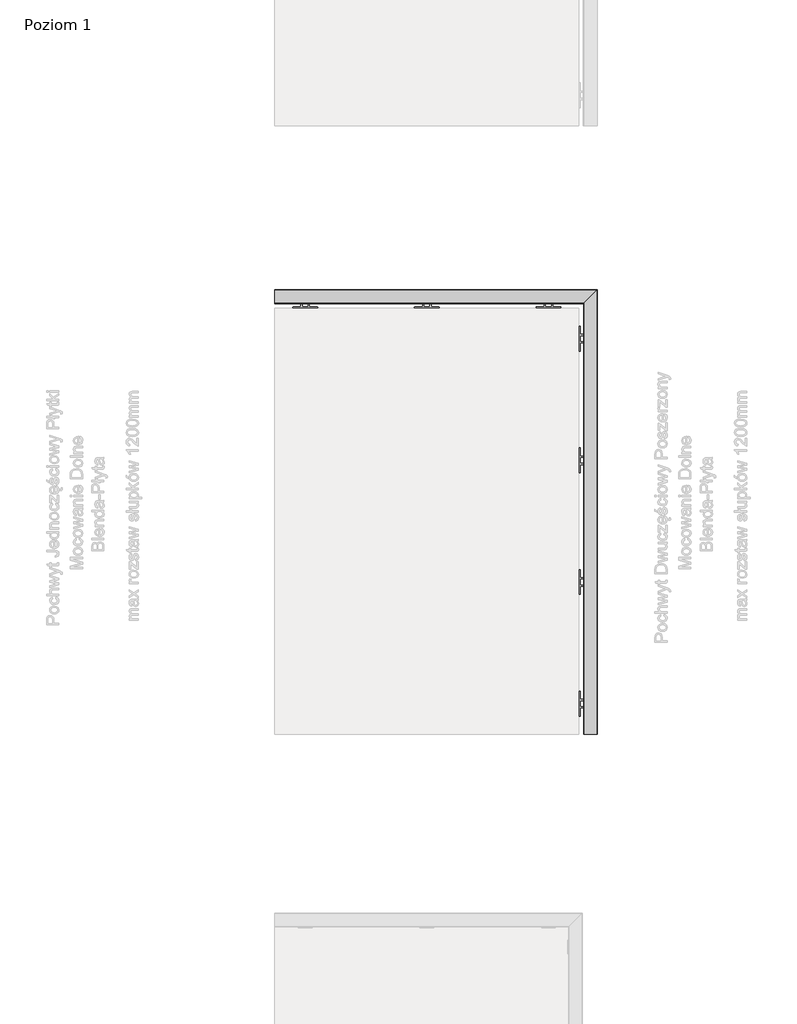
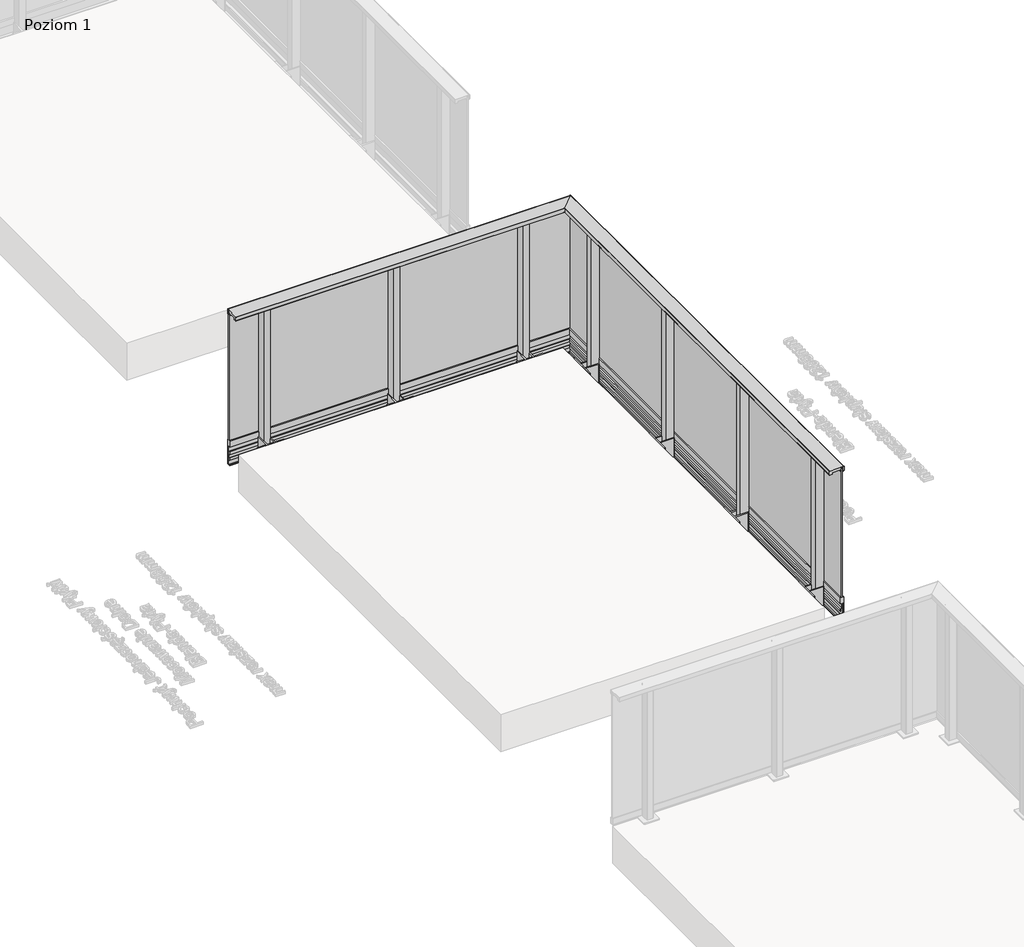
# One storey, part 4 of 35: 1 railing.
"""IFC4 building model written with IfcOpenShell, lengths in millimetres."""

from ifc_helpers import new_model, si_unit, frame, origin, place, context, project, spatial, polyline, circle_curve, ellipse_curve, outline, extrude, faceted_brep, element, save
from ifc_brep_helpers import plane_surface, cylinder_surface, revolved_surface, advanced_brep

model = new_model("IFC4")

# Units and contexts
model_context = context("Model", 3, world=origin())
ifc_project = project(units=[si_unit("LENGTHUNIT", "METRE", prefix="MILLI")], contexts=[model_context])

# Site, building, storey
site = spatial("IfcSite", under=ifc_project)
building = spatial("IfcBuilding", under=site)
storey = spatial("IfcBuildingStorey", under=building, Name="Poziom 1", Elevation=0.0)

# Railing
placement = place(None, origin())
element("IfcRailing", 1, at=placement, inside=storey, context=model_context, shape_type="SolidModel", body=[
    faceted_brep([(14530.9819967, -9629.5008183, -160.0), (14538.9819967, -9629.5008183, -160.0), (14538.9819967, -9629.5008183, -15.0), (14530.9819967, -9629.5008183, -15.0), (14530.9819967, -5989.5008183, -160.0), (14538.9819967, -5981.5008183, -160.0), (14538.9819967, -5981.5008183, -15.0), (14530.9819967, -5989.5008183, -15.0), (11890.9819967, -5989.5008183, -160.0), (11890.9819967, -5989.5008183, -15.0), (11890.9819967, -5981.5008183, -15.0), (11890.9819967, -5981.5008183, -160.0)], [[[0, 1, 2, 3]], [[1, 0, 4, 5]], [[2, 1, 5, 6]], [[3, 2, 6, 7]], [[0, 3, 7, 4]], [[8, 9, 10, 11]], [[5, 4, 8, 11]], [[6, 5, 11, 10]], [[7, 6, 10, 9]], [[4, 7, 9, 8]]]),
    faceted_brep([(14538.3652811, -9629.5008183, 37.0), (14514.3652811, -9629.5008183, 37.0), (14514.3652811, -9629.5008183, -13.15625), (14525.023675, -9629.5008183, -13.15625), (14525.023675, -9629.5008183, -50.6163494), (14514.3721534, -9629.5008183, -50.6163494), (14514.3721534, -9629.5008183, -72.6204288), (14516.4157985, -9629.5008183, -72.6204288), (14516.4157985, -9629.5008183, -52.6204288), (14527.3897991, -9629.5008183, -52.6204288), (14527.3897991, -9629.5008183, -119.2260542), (14516.4157985, -9629.5008183, -119.2260542), (14516.4157985, -9629.5008183, -99.2260542), (14514.3721534, -9629.5008183, -99.2260542), (14514.3721534, -9629.5008183, -121.2444445), (14525.023675, -9629.5008183, -121.2444445), (14525.023675, -9629.5008183, -158.2306744), (14516.2388511, -9629.5008183, -158.2306744), (14514.1935295, -9629.5008183, -158.2306744), (14514.1935295, -9629.5008183, -164.15625), (14538.3685602, -9629.5008183, -164.15625), (14538.3685602, -9629.5008183, -162.15625), (14527.3897991, -9629.5008183, -162.15625), (14527.3897991, -9629.5008183, -160.2306744), (14530.8948217, -9629.5008183, -160.2306744), (14530.8948217, -9629.5008183, -15.15625), (14527.3897991, -9629.5008183, -15.15625), (14527.3897991, -9629.5008183, -13.15625), (14538.3652811, -9629.5008183, -13.15625), (14538.3652811, -5982.117534, 37.0), (14514.3652811, -6006.117534, 37.0), (14514.3652811, -6006.117534, -13.15625), (14525.023675, -5995.4591401, -13.15625), (14525.023675, -5995.4591401, -50.6163494), (14514.3721534, -6006.1106616, -50.6163494), (14514.3721534, -6006.1106616, -72.6204288), (14516.4157985, -6004.0670165, -72.6204288), (14516.4157985, -6004.0670165, -52.6204288), (14527.3897991, -5993.093016, -52.6204288), (14527.3897991, -5993.093016, -119.2260542), (14516.4157985, -6004.0670165, -119.2260542), (14516.4157985, -6004.0670165, -99.2260542), (14514.3721534, -6006.1106616, -99.2260542), (14514.3721534, -6006.1106616, -121.2444445), (14525.023675, -5995.4591401, -121.2444445), (14525.023675, -5995.4591401, -158.2306744), (14516.2388511, -6004.243964, -158.2306744), (14514.1935295, -6006.2892856, -158.2306744), (14514.1935295, -6006.2892856, -164.15625), (14538.3685602, -5982.1142549, -164.15625), (14538.3685602, -5982.1142549, -162.15625), (14527.3897991, -5993.093016, -162.15625), (14527.3897991, -5993.093016, -160.2306744), (14530.8948217, -5989.5879934, -160.2306744), (14530.8948217, -5989.5879934, -15.15625), (14527.3897991, -5993.093016, -15.15625), (14527.3897991, -5993.093016, -13.15625), (14538.3652811, -5982.117534, -13.15625), (11890.9819967, -5982.117534, 37.0), (11890.9819967, -5982.117534, -13.15625), (11890.9819967, -5993.093016, -13.15625), (11890.9819967, -5993.093016, -15.15625), (11890.9819967, -5989.5879934, -15.15625), (11890.9819967, -5989.5879934, -160.2306744), (11890.9819967, -5993.093016, -160.2306744), (11890.9819967, -5993.093016, -162.15625), (11890.9819967, -5982.1142549, -162.15625), (11890.9819967, -5982.1142549, -164.15625), (11890.9819967, -6006.2892856, -164.15625), (11890.9819967, -6006.2892856, -158.2306744), (11890.9819967, -6004.243964, -158.2306744), (11890.9819967, -5995.4591401, -158.2306744), (11890.9819967, -5995.4591401, -121.2444445), (11890.9819967, -6006.1106616, -121.2444445), (11890.9819967, -6006.1106616, -99.2260542), (11890.9819967, -6004.0670165, -99.2260542), (11890.9819967, -6004.0670165, -119.2260542), (11890.9819967, -5993.093016, -119.2260542), (11890.9819967, -5993.093016, -52.6204288), (11890.9819967, -6004.0670165, -52.6204288), (11890.9819967, -6004.0670165, -72.6204288), (11890.9819967, -6006.1106616, -72.6204288), (11890.9819967, -6006.1106616, -50.6163494), (11890.9819967, -5995.4591401, -50.6163494), (11890.9819967, -5995.4591401, -13.15625), (11890.9819967, -6006.117534, -13.15625), (11890.9819967, -6006.117534, 37.0)], [[[0, 1, 2, 3, 4, 5, 6, 7, 8, 9, 10, 11, 12, 13, 14, 15, 16, 17, 18, 19, 20, 21, 22, 23, 24, 25, 26, 27, 28]], [[1, 0, 29, 30]], [[2, 1, 30, 31]], [[3, 2, 31, 32]], [[4, 3, 32, 33]], [[5, 4, 33, 34]], [[6, 5, 34, 35]], [[7, 6, 35, 36]], [[8, 7, 36, 37]], [[9, 8, 37, 38]], [[10, 9, 38, 39]], [[11, 10, 39, 40]], [[12, 11, 40, 41]], [[13, 12, 41, 42]], [[14, 13, 42, 43]], [[15, 14, 43, 44]], [[16, 15, 44, 45]], [[17, 16, 45, 46]], [[18, 17, 46, 47]], [[19, 18, 47, 48]], [[20, 19, 48, 49]], [[21, 20, 49, 50]], [[22, 21, 50, 51]], [[23, 22, 51, 52]], [[24, 23, 52, 53]], [[25, 24, 53, 54]], [[26, 25, 54, 55]], [[27, 26, 55, 56]], [[28, 27, 56, 57]], [[0, 28, 57, 29]], [[58, 59, 60, 61, 62, 63, 64, 65, 66, 67, 68, 69, 70, 71, 72, 73, 74, 75, 76, 77, 78, 79, 80, 81, 82, 83, 84, 85, 86]], [[30, 29, 58, 86]], [[31, 30, 86, 85]], [[32, 31, 85, 84]], [[33, 32, 84, 83]], [[34, 33, 83, 82]], [[35, 34, 82, 81]], [[36, 35, 81, 80]], [[37, 36, 80, 79]], [[38, 37, 79, 78]], [[39, 38, 78, 77]], [[40, 39, 77, 76]], [[41, 40, 76, 75]], [[42, 41, 75, 74]], [[43, 42, 74, 73]], [[44, 43, 73, 72]], [[45, 44, 72, 71]], [[46, 45, 71, 70]], [[47, 46, 70, 69]], [[48, 47, 69, 68]], [[49, 48, 68, 67]], [[50, 49, 67, 66]], [[51, 50, 66, 65]], [[52, 51, 65, 64]], [[53, 52, 64, 63]], [[54, 53, 63, 62]], [[55, 54, 62, 61]], [[56, 55, 61, 60]], [[57, 56, 60, 59]], [[29, 57, 59, 58]]]),
    advanced_brep(
    [(14430.4819967, -9629.5008183, 1100.0), (14429.9819967, -9629.5008183, 1099.5), (14429.9819967, -9629.5008183, 1068.5), (14430.4819967, -9629.5008183, 1068.0), (14449.9819967, -9629.5008183, 1068.0), (14449.9819967, -9629.5008183, 1081.0), (14515.9819967, -9629.5008183, 1081.0), (14515.9819967, -9629.5008183, 1068.0), (14518.7819967, -9629.5008183, 1068.0), (14518.7819967, -9629.5008183, 1069.2), (14517.9819967, -9629.5008183, 1069.2), (14517.9819967, -9629.5008183, 1097.5), (14518.4819967, -9629.5008183, 1098.0), (14537.4819967, -9629.5008183, 1098.0), (14537.9819967, -9629.5008183, 1097.5), (14537.9819967, -9629.5008183, 1069.2), (14537.1819967, -9629.5008183, 1069.2), (14537.1819967, -9629.5008183, 1068.0), (14541.4819967, -9629.5008183, 1068.0), (14541.9819967, -9629.5008183, 1068.5), (14541.9819967, -9629.5008183, 1099.5), (14541.4819967, -9629.5008183, 1100.0), (14430.4819967, -6090.0008183, 1100.0), (14429.9819967, -6090.5008183, 1099.5), (14429.9819967, -6090.5008183, 1068.5), (14430.4819967, -6090.0008183, 1068.0), (14449.9819967, -6070.5008183, 1068.0), (14449.9819967, -6070.5008183, 1081.0), (14515.9819967, -6004.5008183, 1081.0), (14515.9819967, -6004.5008183, 1068.0), (14518.7819967, -6001.7008183, 1068.0), (14518.7819967, -6001.7008183, 1069.2), (14517.9819967, -6002.5008183, 1069.2), (14517.9819967, -6002.5008183, 1097.5), (14518.4819967, -6002.0008183, 1098.0), (14537.4819967, -5983.0008183, 1098.0), (14537.9819967, -5982.5008183, 1097.5), (14537.9819967, -5982.5008183, 1069.2), (14537.1819967, -5983.3008183, 1069.2), (14537.1819967, -5983.3008183, 1068.0), (14541.4819967, -5979.0008183, 1068.0), (14541.9819967, -5978.5008183, 1068.5), (14541.9819967, -5978.5008183, 1099.5), (14541.4819967, -5979.0008183, 1100.0), (11890.9819967, -6090.0008183, 1100.0), (11890.9819967, -5979.0008183, 1100.0), (11890.9819967, -5978.5008183, 1099.5), (11890.9819967, -5978.5008183, 1068.5), (11890.9819967, -5979.0008183, 1068.0), (11890.9819967, -5983.3008183, 1068.0), (11890.9819967, -5983.3008183, 1069.2), (11890.9819967, -5982.5008183, 1069.2), (11890.9819967, -5982.5008183, 1097.5), (11890.9819967, -5983.0008183, 1098.0), (11890.9819967, -6002.0008183, 1098.0), (11890.9819967, -6002.5008183, 1097.5), (11890.9819967, -6002.5008183, 1069.2), (11890.9819967, -6001.7008183, 1069.2), (11890.9819967, -6001.7008183, 1068.0), (11890.9819967, -6004.5008183, 1068.0), (11890.9819967, -6004.5008183, 1081.0), (11890.9819967, -6070.5008183, 1081.0), (11890.9819967, -6070.5008183, 1068.0), (11890.9819967, -6090.0008183, 1068.0), (11890.9819967, -6090.5008183, 1068.5), (11890.9819967, -6090.5008183, 1099.5)],
    [
        (0, 1, circle_curve(frame((14430.4819967, -9629.5008183, 1099.5), z_axis=(0.0, -1.0, 0.0), x_axis=(1.0, 0.0, 0.0)), 0.5)),
        (1, 2),
        (2, 3, circle_curve(frame((14430.4819967, -9629.5008183, 1068.5), z_axis=(0.0, -1.0, 0.0), x_axis=(1.0, 0.0, 0.0)), 0.5)),
        (3, 4),
        (4, 5),
        (5, 6),
        (6, 7),
        (7, 8),
        (8, 9),
        (9, 10),
        (10, 11),
        (11, 12, circle_curve(frame((14518.4819967, -9629.5008183, 1097.5), z_axis=(0.0, 1.0, 0.0), x_axis=(1.0, 0.0, 0.0)), 0.5)),
        (12, 13),
        (13, 14, circle_curve(frame((14537.4819967, -9629.5008183, 1097.5), z_axis=(0.0, 1.0, 0.0), x_axis=(1.0, 0.0, 0.0)), 0.5)),
        (14, 15),
        (15, 16),
        (16, 17),
        (17, 18),
        (18, 19, circle_curve(frame((14541.4819967, -9629.5008183, 1068.5), z_axis=(0.0, -1.0, 0.0), x_axis=(1.0, 0.0, 0.0)), 0.5)),
        (19, 20),
        (20, 21, circle_curve(frame((14541.4819967, -9629.5008183, 1099.5), z_axis=(0.0, -1.0, 0.0), x_axis=(1.0, 0.0, 0.0)), 0.5)),
        (21, 0),
        (0, 22),
        (22, 23, ellipse_curve(frame((14430.4819967, -6090.0008183, 1099.5), z_axis=(0.7071067811865467, -0.7071067811865482, 0.0), x_axis=(-0.7071067811865482, -0.7071067811865469, 0.0)), 0.7071068, 0.5)),
        (23, 1),
        (23, 24),
        (24, 2),
        (24, 25, ellipse_curve(frame((14430.4819967, -6090.0008183, 1068.5), z_axis=(0.7071067811865467, -0.7071067811865482, 0.0), x_axis=(-0.7071067811865482, -0.7071067811865469, 0.0)), 0.7071068, 0.5)),
        (25, 3),
        (25, 26),
        (26, 4),
        (26, 27),
        (27, 5),
        (27, 28),
        (28, 6),
        (28, 29),
        (29, 7),
        (29, 30),
        (30, 8),
        (30, 31),
        (31, 9),
        (31, 32),
        (32, 10),
        (32, 33),
        (33, 11),
        (33, 34, ellipse_curve(frame((14518.4819967, -6002.0008183, 1097.5), z_axis=(-0.7071067811865467, 0.7071067811865482, 0.0), x_axis=(0.7071067811865482, 0.7071067811865469, 0.0)), 0.7071068, 0.5)),
        (34, 12),
        (34, 35),
        (35, 13),
        (35, 36, ellipse_curve(frame((14537.4819967, -5983.0008183, 1097.5), z_axis=(-0.7071067811865467, 0.7071067811865482, 0.0), x_axis=(0.7071067811865482, 0.7071067811865469, 0.0)), 0.7071068, 0.5)),
        (36, 14),
        (36, 37),
        (37, 15),
        (37, 38),
        (38, 16),
        (38, 39),
        (39, 17),
        (39, 40),
        (40, 18),
        (40, 41, ellipse_curve(frame((14541.4819967, -5979.0008183, 1068.5), z_axis=(0.7071067811865467, -0.7071067811865482, 0.0), x_axis=(-0.7071067811865482, -0.7071067811865469, 0.0)), 0.7071068, 0.5)),
        (41, 19),
        (41, 42),
        (42, 20),
        (42, 43, ellipse_curve(frame((14541.4819967, -5979.0008183, 1099.5), z_axis=(0.7071067811865467, -0.7071067811865482, 0.0), x_axis=(-0.7071067811865482, -0.7071067811865469, 0.0)), 0.7071068, 0.5)),
        (43, 21),
        (43, 22),
        (44, 45),
        (45, 46, circle_curve(frame((11890.9819967, -5979.0008183, 1099.5), z_axis=(-1.0, 0.0, 0.0), x_axis=(0.0, 1.0, 0.0)), 0.5)),
        (46, 47),
        (47, 48, circle_curve(frame((11890.9819967, -5979.0008183, 1068.5), z_axis=(-1.0, 0.0, 0.0), x_axis=(0.0, 1.0, 0.0)), 0.5)),
        (48, 49),
        (49, 50),
        (50, 51),
        (51, 52),
        (52, 53, circle_curve(frame((11890.9819967, -5983.0008183, 1097.5), z_axis=(1.0, 0.0, 0.0), x_axis=(0.0, 1.0, 0.0)), 0.5)),
        (53, 54),
        (54, 55, circle_curve(frame((11890.9819967, -6002.0008183, 1097.5), z_axis=(1.0, 0.0, 0.0), x_axis=(0.0, 1.0, 0.0)), 0.5)),
        (55, 56),
        (56, 57),
        (57, 58),
        (58, 59),
        (59, 60),
        (60, 61),
        (61, 62),
        (62, 63),
        (63, 64, circle_curve(frame((11890.9819967, -6090.0008183, 1068.5), z_axis=(-1.0, 0.0, 0.0), x_axis=(0.0, 1.0, 0.0)), 0.5)),
        (64, 65),
        (65, 44, circle_curve(frame((11890.9819967, -6090.0008183, 1099.5), z_axis=(-1.0, 0.0, 0.0), x_axis=(0.0, 1.0, 0.0)), 0.5)),
        (22, 44),
        (65, 23),
        (64, 24),
        (63, 25),
        (62, 26),
        (61, 27),
        (60, 28),
        (59, 29),
        (58, 30),
        (57, 31),
        (56, 32),
        (55, 33),
        (54, 34),
        (53, 35),
        (52, 36),
        (51, 37),
        (50, 38),
        (49, 39),
        (48, 40),
        (47, 41),
        (46, 42),
        (45, 43),
    ],
    [
        plane_surface(frame((14482.9819967, -9629.5008183, 1100.0), z_axis=(0.0, -1.0, 0.0), x_axis=(0.0, 0.0, 1.0))),
        cylinder_surface(frame((14430.4819967, -9629.5008183, 1099.5), z_axis=(0.0, -1.0, 0.0), x_axis=(1.0, 0.0, 0.0)), 0.5),
        plane_surface(frame((14429.9819967, -9629.5008183, 1099.5), z_axis=(-1.0, 0.0, 0.0), x_axis=(0.0, 1.0, 0.0))),
        cylinder_surface(frame((14430.4819967, -9629.5008183, 1068.5), z_axis=(0.0, -1.0, 0.0), x_axis=(1.0, 0.0, 0.0)), 0.5),
        plane_surface(frame((14430.4819967, -9629.5008183, 1068.0), z_axis=(0.0, 0.0, -1.0), x_axis=(0.0, 1.0, 0.0))),
        plane_surface(frame((14449.9819967, -9629.5008183, 1068.0), z_axis=(1.0, 0.0, 0.0), x_axis=(0.0, 1.0, 0.0))),
        plane_surface(frame((14449.9819967, -9629.5008183, 1081.0), z_axis=(0.0, 0.0, -1.0), x_axis=(0.0, 1.0, 0.0))),
        plane_surface(frame((14515.9819967, -9629.5008183, 1081.0), z_axis=(-1.0, 0.0, 0.0), x_axis=(0.0, 1.0, 0.0))),
        plane_surface(frame((14515.9819967, -9629.5008183, 1068.0), z_axis=(0.0, 0.0, -1.0), x_axis=(0.0, 1.0, 0.0))),
        plane_surface(frame((14518.7819967, -9629.5008183, 1068.0), z_axis=(1.0, 0.0, 0.0), x_axis=(0.0, 1.0, 0.0))),
        plane_surface(frame((14518.7819967, -9629.5008183, 1069.2), z_axis=(0.0, 0.0, 1.0), x_axis=(0.0, 1.0, 0.0))),
        plane_surface(frame((14517.9819967, -9629.5008183, 1069.2), z_axis=(1.0, 0.0, 0.0), x_axis=(0.0, 1.0, 0.0))),
        revolved_surface(polyline([(14518.9819967, -6001.500818286697, 1097.5), (14518.9819967, -9629.5008183, 1097.5)]), (14518.4819967, -9629.5008183, 1097.5), (0.0, 1.0, 0.0)),
        plane_surface(frame((14518.4819967, -9629.5008183, 1098.0), z_axis=(0.0, 0.0, -1.0), x_axis=(0.0, 1.0, 0.0))),
        revolved_surface(polyline([(14537.9819967, -5982.500818286697, 1097.5), (14537.9819967, -9629.5008183, 1097.5)]), (14537.4819967, -9629.5008183, 1097.5), (0.0, 1.0, 0.0)),
        plane_surface(frame((14537.9819967, -9629.5008183, 1097.5), z_axis=(-1.0, 0.0, 0.0), x_axis=(0.0, 1.0, 0.0))),
        plane_surface(frame((14537.9819967, -9629.5008183, 1069.2), z_axis=(0.0, 0.0, 1.0), x_axis=(0.0, 1.0, 0.0))),
        plane_surface(frame((14537.1819967, -9629.5008183, 1069.2), z_axis=(-1.0, 0.0, 0.0), x_axis=(0.0, 1.0, 0.0))),
        plane_surface(frame((14537.1819967, -9629.5008183, 1068.0), z_axis=(0.0, 0.0, -1.0), x_axis=(0.0, 1.0, 0.0))),
        cylinder_surface(frame((14541.4819967, -9629.5008183, 1068.5), z_axis=(0.0, -1.0, 0.0), x_axis=(1.0, 0.0, 0.0)), 0.5),
        plane_surface(frame((14541.9819967, -9629.5008183, 1068.5), z_axis=(1.0, 0.0, 0.0), x_axis=(0.0, 1.0, 0.0))),
        cylinder_surface(frame((14541.4819967, -9629.5008183, 1099.5), z_axis=(0.0, -1.0, 0.0), x_axis=(1.0, 0.0, 0.0)), 0.5),
        plane_surface(frame((14541.4819967, -9629.5008183, 1100.0), z_axis=(0.0, 0.0, 1.0), x_axis=(0.0, 1.0, 0.0))),
        plane_surface(frame((11890.9819967, -6037.5008183, 1100.0), z_axis=(-1.0, 0.0, 0.0), x_axis=(0.0, -1.0, 0.0))),
        cylinder_surface(frame((14482.9819967, -6090.0008183, 1099.5), z_axis=(1.0, 0.0, 0.0), x_axis=(0.0, 1.0, 0.0)), 0.5),
        plane_surface(frame((14429.9819967, -6090.5008183, 1099.5), z_axis=(0.0, -1.0, 0.0), x_axis=(-1.0, 0.0, 0.0))),
        cylinder_surface(frame((14482.9819967, -6090.0008183, 1068.5), z_axis=(1.0, 0.0, 0.0), x_axis=(0.0, 1.0, 0.0)), 0.5),
        plane_surface(frame((14430.4819967, -6090.0008183, 1068.0), z_axis=(0.0, 0.0, -1.0), x_axis=(-1.0, 0.0, 0.0))),
        plane_surface(frame((14449.9819967, -6070.5008183, 1068.0), z_axis=(0.0, 1.0, 0.0), x_axis=(-1.0, 0.0, 0.0))),
        plane_surface(frame((14449.9819967, -6070.5008183, 1081.0), z_axis=(0.0, 0.0, -1.0), x_axis=(-1.0, 0.0, 0.0))),
        plane_surface(frame((14515.9819967, -6004.5008183, 1081.0), z_axis=(0.0, -1.0, 0.0), x_axis=(-1.0, 0.0, 0.0))),
        plane_surface(frame((14515.9819967, -6004.5008183, 1068.0), z_axis=(0.0, 0.0, -1.0), x_axis=(-1.0, 0.0, 0.0))),
        plane_surface(frame((14518.7819967, -6001.7008183, 1068.0), z_axis=(0.0, 1.0, 0.0), x_axis=(-1.0, 0.0, 0.0))),
        plane_surface(frame((14518.7819967, -6001.7008183, 1069.2), z_axis=(0.0, 0.0, 1.0), x_axis=(-1.0, 0.0, 0.0))),
        plane_surface(frame((14517.9819967, -6002.5008183, 1069.2), z_axis=(0.0, 1.0, 0.0), x_axis=(-1.0, 0.0, 0.0))),
        revolved_surface(polyline([(11890.9819967, -6001.5008183, 1097.5), (14518.981996713303, -6001.5008183, 1097.5)]), (14482.9819967, -6002.0008183, 1097.5), (-1.0, 0.0, 0.0)),
        plane_surface(frame((14518.4819967, -6002.0008183, 1098.0), z_axis=(0.0, 0.0, -1.0), x_axis=(-1.0, 0.0, 0.0))),
        revolved_surface(polyline([(11890.9819967, -5982.5008183, 1097.5), (14537.981996713303, -5982.5008183, 1097.5)]), (14482.9819967, -5983.0008183, 1097.5), (-1.0, 0.0, 0.0)),
        plane_surface(frame((14537.9819967, -5982.5008183, 1097.5), z_axis=(0.0, -1.0, 0.0), x_axis=(-1.0, 0.0, 0.0))),
        plane_surface(frame((14537.9819967, -5982.5008183, 1069.2), z_axis=(0.0, 0.0, 1.0), x_axis=(-1.0, 0.0, 0.0))),
        plane_surface(frame((14537.1819967, -5983.3008183, 1069.2), z_axis=(0.0, -1.0, 0.0), x_axis=(-1.0, 0.0, 0.0))),
        plane_surface(frame((14537.1819967, -5983.3008183, 1068.0), z_axis=(0.0, 0.0, -1.0), x_axis=(-1.0, 0.0, 0.0))),
        cylinder_surface(frame((14482.9819967, -5979.0008183, 1068.5), z_axis=(1.0, 0.0, 0.0), x_axis=(0.0, 1.0, 0.0)), 0.5),
        plane_surface(frame((14541.9819967, -5978.5008183, 1068.5), z_axis=(0.0, 1.0, 0.0), x_axis=(-1.0, 0.0, 0.0))),
        cylinder_surface(frame((14482.9819967, -5979.0008183, 1099.5), z_axis=(1.0, 0.0, 0.0), x_axis=(0.0, 1.0, 0.0)), 0.5),
        plane_surface(frame((14541.4819967, -5979.0008183, 1100.0), z_axis=(0.0, 0.0, 1.0), x_axis=(-1.0, 0.0, 0.0))),
    ],
    [
        (0, [[1, 2, 3, 4, 5, 6, 7, 8, 9, 10, 11, 12, 13, 14, 15, 16, 17, 18, 19, 20, 21, 22]]),
        (1, [[-1, 23, 24, 25]]),
        (2, [[-2, -25, 26, 27]]),
        (3, [[-3, -27, 28, 29]]),
        (4, [[-4, -29, 30, 31]]),
        (5, [[-5, -31, 32, 33]]),
        (6, [[-6, -33, 34, 35]]),
        (7, [[-7, -35, 36, 37]]),
        (8, [[-8, -37, 38, 39]]),
        (9, [[-9, -39, 40, 41]]),
        (10, [[-10, -41, 42, 43]]),
        (11, [[-11, -43, 44, 45]]),
        (12, [[-12, -45, 46, 47]]),
        (13, [[-13, -47, 48, 49]]),
        (14, [[-14, -49, 50, 51]]),
        (15, [[-15, -51, 52, 53]]),
        (16, [[-16, -53, 54, 55]]),
        (17, [[-17, -55, 56, 57]]),
        (18, [[-18, -57, 58, 59]]),
        (19, [[-19, -59, 60, 61]]),
        (20, [[-20, -61, 62, 63]]),
        (21, [[-21, -63, 64, 65]]),
        (22, [[-22, -65, 66, -23]]),
        (23, [[67, 68, 69, 70, 71, 72, 73, 74, 75, 76, 77, 78, 79, 80, 81, 82, 83, 84, 85, 86, 87, 88]]),
        (24, [[-24, 89, -88, 90]]),
        (25, [[-26, -90, -87, 91]]),
        (26, [[-28, -91, -86, 92]]),
        (27, [[-30, -92, -85, 93]]),
        (28, [[-32, -93, -84, 94]]),
        (29, [[-34, -94, -83, 95]]),
        (30, [[-36, -95, -82, 96]]),
        (31, [[-38, -96, -81, 97]]),
        (32, [[-40, -97, -80, 98]]),
        (33, [[-42, -98, -79, 99]]),
        (34, [[-44, -99, -78, 100]]),
        (35, [[-46, -100, -77, 101]]),
        (36, [[-48, -101, -76, 102]]),
        (37, [[-50, -102, -75, 103]]),
        (38, [[-52, -103, -74, 104]]),
        (39, [[-54, -104, -73, 105]]),
        (40, [[-56, -105, -72, 106]]),
        (41, [[-58, -106, -71, 107]]),
        (42, [[-60, -107, -70, 108]]),
        (43, [[-62, -108, -69, 109]]),
        (44, [[-64, -109, -68, 110]]),
        (45, [[-66, -110, -67, -89]]),
    ],
),
    faceted_brep([(14529.9819967, -9629.5008183, 1087.0), (14521.9819967, -9629.5008183, 1087.0), (14521.9819967, -9629.5008183, 37.0), (14529.9819967, -9629.5008183, 37.0), (14529.9819967, -5990.5008183, 1087.0), (14521.9819967, -5998.5008183, 1087.0), (14521.9819967, -5998.5008183, 37.0), (14529.9819967, -5990.5008183, 37.0), (11890.9819967, -5990.5008183, 1087.0), (11890.9819967, -5990.5008183, 37.0), (11890.9819967, -5998.5008183, 37.0), (11890.9819967, -5998.5008183, 1087.0)], [[[0, 1, 2, 3]], [[1, 0, 4, 5]], [[2, 1, 5, 6]], [[3, 2, 6, 7]], [[0, 3, 7, 4]], [[8, 9, 10, 11]], [[5, 4, 8, 11]], [[6, 5, 11, 10]], [[7, 6, 10, 9]], [[4, 7, 9, 8]]]),
    faceted_brep([(14516.6692541, -9629.5008183, 1065.2160621), (14515.6441664, -9629.5008183, 1065.2160621), (14515.6441664, -9629.5008183, 1063.6627783), (14521.9819967, -9629.5008183, 1061.8454347), (14521.9819967, -9629.5008183, 1072.0), (14516.6692541, -9629.5008183, 1074.1464874), (14516.6692541, -6003.813561, 1065.2160621), (14515.6441664, -6004.8386487, 1065.2160621), (14515.6441664, -6004.8386487, 1063.6627783), (14521.9819967, -5998.5008183, 1061.8454347), (14521.9819967, -5998.5008183, 1072.0), (14516.6692541, -6003.813561, 1074.1464874), (11890.9819967, -6003.813561, 1065.2160621), (11890.9819967, -6003.813561, 1074.1464874), (11890.9819967, -5998.5008183, 1072.0), (11890.9819967, -5998.5008183, 1061.8454347), (11890.9819967, -6004.8386487, 1063.6627783), (11890.9819967, -6004.8386487, 1065.2160621)], [[[0, 1, 2, 3, 4, 5]], [[1, 0, 6, 7]], [[2, 1, 7, 8]], [[3, 2, 8, 9]], [[4, 3, 9, 10]], [[5, 4, 10, 11]], [[0, 5, 11, 6]], [[12, 13, 14, 15, 16, 17]], [[7, 6, 12, 17]], [[8, 7, 17, 16]], [[9, 8, 16, 15]], [[10, 9, 15, 14]], [[11, 10, 14, 13]], [[6, 11, 13, 12]]]),
    faceted_brep([(14535.2947394, -9629.5008183, 1065.2160621), (14535.2947394, -9629.5008183, 1074.1464874), (14529.9819967, -9629.5008183, 1072.0), (14529.9819967, -9629.5008183, 1061.8454347), (14536.3198271, -9629.5008183, 1063.6627783), (14536.3198271, -9629.5008183, 1065.2160621), (14535.2947394, -5985.1880757, 1065.2160621), (14535.2947394, -5985.1880757, 1074.1464874), (14529.9819967, -5990.5008183, 1072.0), (14529.9819967, -5990.5008183, 1061.8454347), (14536.3198271, -5984.162988, 1063.6627783), (14536.3198271, -5984.162988, 1065.2160621), (11890.9819967, -5985.1880757, 1065.2160621), (11890.9819967, -5984.162988, 1065.2160621), (11890.9819967, -5984.162988, 1063.6627783), (11890.9819967, -5990.5008183, 1061.8454347), (11890.9819967, -5990.5008183, 1072.0), (11890.9819967, -5985.1880757, 1074.1464874)], [[[0, 1, 2, 3, 4, 5]], [[1, 0, 6, 7]], [[2, 1, 7, 8]], [[3, 2, 8, 9]], [[4, 3, 9, 10]], [[5, 4, 10, 11]], [[0, 5, 11, 6]], [[12, 13, 14, 15, 16, 17]], [[7, 6, 12, 17]], [[8, 7, 17, 16]], [[9, 8, 16, 15]], [[10, 9, 15, 14]], [[11, 10, 14, 13]], [[6, 11, 13, 12]]]),
    extrude(outline(polyline([(12115.9819967, -6071.5008183), (12115.9819967, -6006.5008183), (12165.9819967, -6006.5008183), (12165.9819967, -6071.5008183), (12115.9819967, -6071.5008183)])), frame((0.0, 0.0, -162.0), z_axis=(0.0, 0.0, 1.0), x_axis=(1.0, 0.0, 0.0)), (0.0, 0.0, 1.0), 1253.0),
    extrude(outline(polyline([(12038.4819967, -6129.5008183), (12038.4819967, -6120.3292455), (12041.3104239, -6117.5008183), (12105.9612097, -6117.5008183), (12105.9612097, -6014.5637744), (12109.4872118, -6009.5281216), (12115.9612097, -6009.5281216), (12115.9612097, -6117.5008183), (12166.0027837, -6117.5008183), (12166.0027837, -6009.5281216), (12172.4767816, -6009.5281216), (12176.0027837, -6014.5637744), (12176.0027837, -6117.5008183), (12240.6535696, -6117.5008183), (12243.4819967, -6120.3292455), (12243.4819967, -6129.5008183), (12038.4819967, -6129.5008183)])), frame((0.0, 0.0, -152.0), z_axis=(0.0, 0.0, 1.0), x_axis=(1.0, 0.0, 0.0)), (0.0, 0.0, 1.0), 150.0),
    extrude(outline(polyline([(13115.9819967, -6071.5008183), (13115.9819967, -6006.5008183), (13165.9819967, -6006.5008183), (13165.9819967, -6071.5008183), (13115.9819967, -6071.5008183)])), frame((0.0, 0.0, -162.0), z_axis=(0.0, 0.0, 1.0), x_axis=(1.0, 0.0, 0.0)), (0.0, 0.0, 1.0), 1253.0),
    extrude(outline(polyline([(13038.4819967, -6129.5008183), (13038.4819967, -6120.3292455), (13041.3104239, -6117.5008183), (13105.9612097, -6117.5008183), (13105.9612097, -6014.5637744), (13109.4872118, -6009.5281216), (13115.9612097, -6009.5281216), (13115.9612097, -6117.5008183), (13166.0027837, -6117.5008183), (13166.0027837, -6009.5281216), (13172.4767816, -6009.5281216), (13176.0027837, -6014.5637744), (13176.0027837, -6117.5008183), (13240.6535696, -6117.5008183), (13243.4819967, -6120.3292455), (13243.4819967, -6129.5008183), (13038.4819967, -6129.5008183)])), frame((0.0, 0.0, -152.0), z_axis=(0.0, 0.0, 1.0), x_axis=(1.0, 0.0, 0.0)), (0.0, 0.0, 1.0), 150.0),
    extrude(outline(polyline([(14115.9819967, -6071.5008183), (14115.9819967, -6006.5008183), (14165.9819967, -6006.5008183), (14165.9819967, -6071.5008183), (14115.9819967, -6071.5008183)])), frame((0.0, 0.0, -162.0), z_axis=(0.0, 0.0, 1.0), x_axis=(1.0, 0.0, 0.0)), (0.0, 0.0, 1.0), 1253.0),
    extrude(outline(polyline([(14038.4819967, -6129.5008183), (14038.4819967, -6120.3292455), (14041.3104239, -6117.5008183), (14105.9612097, -6117.5008183), (14105.9612097, -6014.5637744), (14109.4872118, -6009.5281216), (14115.9612097, -6009.5281216), (14115.9612097, -6117.5008183), (14166.0027837, -6117.5008183), (14166.0027837, -6009.5281216), (14172.4767816, -6009.5281216), (14176.0027837, -6014.5637744), (14176.0027837, -6117.5008183), (14240.6535696, -6117.5008183), (14243.4819967, -6120.3292455), (14243.4819967, -6129.5008183), (14038.4819967, -6129.5008183)])), frame((0.0, 0.0, -152.0), z_axis=(0.0, 0.0, 1.0), x_axis=(1.0, 0.0, 0.0)), (0.0, 0.0, 1.0), 150.0),
    extrude(outline(polyline([(14448.9819967, -6354.5008183), (14513.9819967, -6354.5008183), (14513.9819967, -6404.5008183), (14448.9819967, -6404.5008183), (14448.9819967, -6354.5008183)])), frame((0.0, 0.0, -162.0), z_axis=(0.0, 0.0, 1.0), x_axis=(1.0, 0.0, 0.0)), (0.0, 0.0, 1.0), 1253.0),
    extrude(outline(polyline([(14390.9819967, -6277.0008183), (14400.1535696, -6277.0008183), (14402.9819967, -6279.8292455), (14402.9819967, -6344.4800313), (14505.9190406, -6344.4800313), (14510.9546935, -6348.0060334), (14510.9546935, -6354.4800313), (14402.9819967, -6354.4800313), (14402.9819967, -6404.5216053), (14510.9546935, -6404.5216053), (14510.9546935, -6410.9956032), (14505.9190406, -6414.5216053), (14402.9819967, -6414.5216053), (14402.9819967, -6479.1723912), (14400.1535696, -6482.0008183), (14390.9819967, -6482.0008183), (14390.9819967, -6277.0008183)])), frame((0.0, 0.0, -152.0), z_axis=(0.0, 0.0, 1.0), x_axis=(1.0, 0.0, 0.0)), (0.0, 0.0, 1.0), 150.0),
    extrude(outline(polyline([(14448.9819967, -7354.5008183), (14513.9819967, -7354.5008183), (14513.9819967, -7404.5008183), (14448.9819967, -7404.5008183), (14448.9819967, -7354.5008183)])), frame((0.0, 0.0, -162.0), z_axis=(0.0, 0.0, 1.0), x_axis=(1.0, 0.0, 0.0)), (0.0, 0.0, 1.0), 1253.0),
    extrude(outline(polyline([(14390.9819967, -7277.0008183), (14400.1535696, -7277.0008183), (14402.9819967, -7279.8292455), (14402.9819967, -7344.4800313), (14505.9190406, -7344.4800313), (14510.9546935, -7348.0060334), (14510.9546935, -7354.4800313), (14402.9819967, -7354.4800313), (14402.9819967, -7404.5216053), (14510.9546935, -7404.5216053), (14510.9546935, -7410.9956032), (14505.9190406, -7414.5216053), (14402.9819967, -7414.5216053), (14402.9819967, -7479.1723912), (14400.1535696, -7482.0008183), (14390.9819967, -7482.0008183), (14390.9819967, -7277.0008183)])), frame((0.0, 0.0, -152.0), z_axis=(0.0, 0.0, 1.0), x_axis=(1.0, 0.0, 0.0)), (0.0, 0.0, 1.0), 150.0),
    extrude(outline(polyline([(14448.9819967, -8354.5008183), (14513.9819967, -8354.5008183), (14513.9819967, -8404.5008183), (14448.9819967, -8404.5008183), (14448.9819967, -8354.5008183)])), frame((0.0, 0.0, -162.0), z_axis=(0.0, 0.0, 1.0), x_axis=(1.0, 0.0, 0.0)), (0.0, 0.0, 1.0), 1253.0),
    extrude(outline(polyline([(14390.9819967, -8277.0008183), (14400.1535696, -8277.0008183), (14402.9819967, -8279.8292455), (14402.9819967, -8344.4800313), (14505.9190406, -8344.4800313), (14510.9546935, -8348.0060334), (14510.9546935, -8354.4800313), (14402.9819967, -8354.4800313), (14402.9819967, -8404.5216053), (14510.9546935, -8404.5216053), (14510.9546935, -8410.9956032), (14505.9190406, -8414.5216053), (14402.9819967, -8414.5216053), (14402.9819967, -8479.1723912), (14400.1535696, -8482.0008183), (14390.9819967, -8482.0008183), (14390.9819967, -8277.0008183)])), frame((0.0, 0.0, -152.0), z_axis=(0.0, 0.0, 1.0), x_axis=(1.0, 0.0, 0.0)), (0.0, 0.0, 1.0), 150.0),
    extrude(outline(polyline([(14448.9819967, -9354.5008183), (14513.9819967, -9354.5008183), (14513.9819967, -9404.5008183), (14448.9819967, -9404.5008183), (14448.9819967, -9354.5008183)])), frame((0.0, 0.0, -162.0), z_axis=(0.0, 0.0, 1.0), x_axis=(1.0, 0.0, 0.0)), (0.0, 0.0, 1.0), 1253.0),
    extrude(outline(polyline([(14390.9819967, -9277.0008183), (14400.1535696, -9277.0008183), (14402.9819967, -9279.8292455), (14402.9819967, -9344.4800313), (14505.9190406, -9344.4800313), (14510.9546935, -9348.0060334), (14510.9546935, -9354.4800313), (14402.9819967, -9354.4800313), (14402.9819967, -9404.5216053), (14510.9546935, -9404.5216053), (14510.9546935, -9410.9956032), (14505.9190406, -9414.5216053), (14402.9819967, -9414.5216053), (14402.9819967, -9479.1723912), (14400.1535696, -9482.0008183), (14390.9819967, -9482.0008183), (14390.9819967, -9277.0008183)])), frame((0.0, 0.0, -152.0), z_axis=(0.0, 0.0, 1.0), x_axis=(1.0, 0.0, 0.0)), (0.0, 0.0, 1.0), 150.0),
    extrude(outline(polyline([(12115.9819967, -6071.5008183), (12115.9819967, -6006.5008183), (12165.9819967, -6006.5008183), (12165.9819967, -6071.5008183), (12115.9819967, -6071.5008183)])), frame((0.0, 0.0, -162.0), z_axis=(0.0, 0.0, 1.0), x_axis=(1.0, 0.0, 0.0)), (0.0, 0.0, 1.0), 1253.0),
    extrude(outline(polyline([(12038.4819967, -6129.5008183), (12038.4819967, -6120.3292455), (12041.3104239, -6117.5008183), (12105.9612097, -6117.5008183), (12105.9612097, -6014.5637744), (12109.4872118, -6009.5281216), (12115.9612097, -6009.5281216), (12115.9612097, -6117.5008183), (12166.0027837, -6117.5008183), (12166.0027837, -6009.5281216), (12172.4767816, -6009.5281216), (12176.0027837, -6014.5637744), (12176.0027837, -6117.5008183), (12240.6535696, -6117.5008183), (12243.4819967, -6120.3292455), (12243.4819967, -6129.5008183), (12038.4819967, -6129.5008183)])), frame((0.0, 0.0, -152.0), z_axis=(0.0, 0.0, 1.0), x_axis=(1.0, 0.0, 0.0)), (0.0, 0.0, 1.0), 150.0),
    extrude(outline(polyline([(14448.9819967, -9354.5008183), (14513.9819967, -9354.5008183), (14513.9819967, -9404.5008183), (14448.9819967, -9404.5008183), (14448.9819967, -9354.5008183)])), frame((0.0, 0.0, -162.0), z_axis=(0.0, 0.0, 1.0), x_axis=(1.0, 0.0, 0.0)), (0.0, 0.0, 1.0), 1253.0),
    extrude(outline(polyline([(14390.9819967, -9277.0008183), (14400.1535696, -9277.0008183), (14402.9819967, -9279.8292455), (14402.9819967, -9344.4800313), (14505.9190406, -9344.4800313), (14510.9546935, -9348.0060334), (14510.9546935, -9354.4800313), (14402.9819967, -9354.4800313), (14402.9819967, -9404.5216053), (14510.9546935, -9404.5216053), (14510.9546935, -9410.9956032), (14505.9190406, -9414.5216053), (14402.9819967, -9414.5216053), (14402.9819967, -9479.1723912), (14400.1535696, -9482.0008183), (14390.9819967, -9482.0008183), (14390.9819967, -9277.0008183)])), frame((0.0, 0.0, -152.0), z_axis=(0.0, 0.0, 1.0), x_axis=(1.0, 0.0, 0.0)), (0.0, 0.0, 1.0), 150.0),
])

save(model, "model.ifc")
